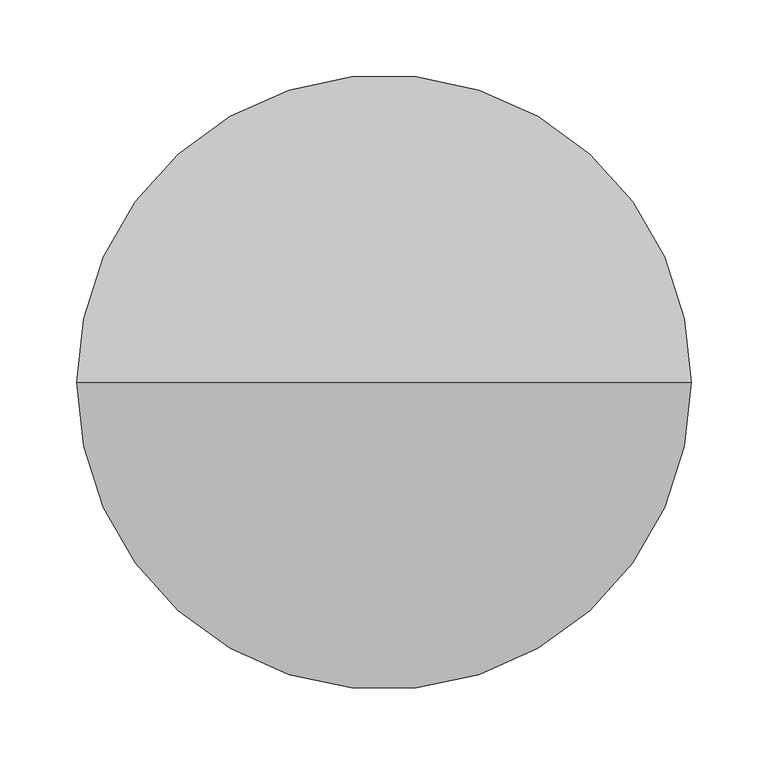
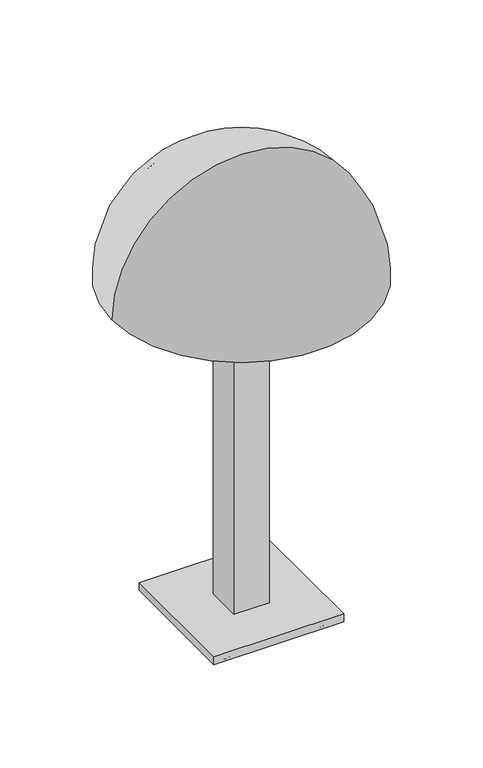
"""IFC4 building model written with IfcOpenShell, lengths in millimetres: light fixture geometry."""

import ifcopenshell
import ifcopenshell.guid

model = None  # the IFC model being written
_history = None  # IfcOwnerHistory: only IFC2X3 demands one
_inside = {}  # id of a spatial element -> (the spatial element, [elements in it])
_under = {}  # id of a project, library or spatial element -> (it, [spatial elements below it])
_declared = {}  # id of a project -> (the project, [libraries it declares])
_typed = {}  # id of a type object -> (the type object, [elements of that type])
_made_of = {}  # id of a material, layer set ... -> (it, [elements and type objects made of it])


def new_model(schema):
    """Start an empty IFC model of exactly this schema.

    Asked for "IFC4X3", IfcOpenShell would pick the latest addendum, in which some entities
    have other attributes; the version numbers below select the first issue.
    IFC2X3 requires an IfcOwnerHistory on every rooted entity: one is made here for all.
    """
    global model, _history
    if schema == "IFC4X3":
        model = ifcopenshell.file(schema_version=(4, 3, 0, 0))
    else:
        model = ifcopenshell.file(schema=schema)
    _inside.clear()
    _under.clear()
    _declared.clear()
    _typed.clear()
    _made_of.clear()
    _history = None
    if model.schema == "IFC2X3":
        org = make("IfcOrganization", Name="unknown")
        user = make(
            "IfcPersonAndOrganization",
            ThePerson=make("IfcPerson", FamilyName="unknown"),
            TheOrganization=org,
        )
        app = make(
            "IfcApplication",
            ApplicationDeveloper=org,
            Version="unknown",
            ApplicationFullName="unknown",
            ApplicationIdentifier="unknown",
        )
        _history = make(
            "IfcOwnerHistory",
            OwningUser=user,
            OwningApplication=app,
            ChangeAction="ADDED",
            CreationDate=0,
        )
    return model


def make(cls, **values):
    """One entity of the class cls with the attributes given. An attribute that is None is left unset."""
    return model.create_entity(
        cls, **{name: value for name, value in values.items() if value is not None}
    )


def rooted(cls, **values):
    """An entity with a GlobalId (a new one), such as an element, a storey or a relation."""
    return make(cls, GlobalId=ifcopenshell.guid.new(), OwnerHistory=_history, **values)


def si_unit(unit_type, name, prefix=None):
    """IfcSIUnit, for example si_unit("LENGTHUNIT", "METRE", prefix="MILLI")."""
    return make("IfcSIUnit", UnitType=unit_type, Prefix=prefix, Name=name)


def assignment(units):
    """IfcUnitAssignment: the units of a project."""
    return None if units is None else make("IfcUnitAssignment", Units=units)


def point(xyz):
    """IfcCartesianPoint."""
    return None if xyz is None else make("IfcCartesianPoint", Coordinates=xyz)


def direction(xyz):
    """IfcDirection."""
    return None if xyz is None else make("IfcDirection", DirectionRatios=xyz)


def frame(location, z_axis=None, x_axis=None):
    """IfcAxis2Placement3D, a coordinate frame: its origin and axes. An axis left out is left unset."""
    return make(
        "IfcAxis2Placement3D",
        Location=point(location),
        Axis=direction(z_axis),
        RefDirection=direction(x_axis),
    )


def frame_2d(location, x_axis=None):
    """IfcAxis2Placement2D, a coordinate frame in the plane: its origin and x axis."""
    return make(
        "IfcAxis2Placement2D", Location=point(location), RefDirection=direction(x_axis)
    )


def origin():
    """The frame at (0, 0, 0) with its axes left unset."""
    return frame((0.0, 0.0, 0.0))


def origin_2d():
    """The frame at (0, 0) in the plane with its x axis left unset."""
    return frame_2d((0.0, 0.0))


def place(relative_to, where):
    """IfcLocalPlacement: puts the frame where relative to a parent placement (None: the world)."""
    return make(
        "IfcLocalPlacement", PlacementRelTo=relative_to, RelativePlacement=where
    )


def context(
    kind, dimensions, precision=None, world=None, true_north=None, identifier=None
):
    """IfcGeometricRepresentationContext, for example the 3D "Model" context."""
    return make(
        "IfcGeometricRepresentationContext",
        ContextIdentifier=identifier,
        ContextType=kind,
        CoordinateSpaceDimension=dimensions,
        Precision=precision,
        WorldCoordinateSystem=world,
        TrueNorth=true_north,
    )


def project(units=None, contexts=None):
    """IfcProject with its units and contexts."""
    return rooted(
        "IfcProject",
        Name="project",
        RepresentationContexts=contexts,
        UnitsInContext=assignment(units),
    )


def spatial(cls, under=None, at=None, **own):
    """A site, building, storey or space (cls), placed at a placement, below another one or the project."""
    s = rooted(cls, ObjectPlacement=at, **own)
    if under is not None:
        _under.setdefault(under.id(), (under, []))[1].append(s)
    return s


def polyline(points):
    """IfcPolyline through the points."""
    return make("IfcPolyline", Points=[point(p) for p in points])


def circle_curve(where, radius):
    """IfcCircle in the frame where."""
    return make("IfcCircle", Position=where, Radius=radius)


def ellipse_curve(where, semi_axis1, semi_axis2):
    """IfcEllipse in the frame where."""
    return make(
        "IfcEllipse", Position=where, SemiAxis1=semi_axis1, SemiAxis2=semi_axis2
    )


def trimmed(basis, trim1, trim2, sense, master):
    """IfcTrimmedCurve: the piece of a basis curve between two trims."""
    return make(
        "IfcTrimmedCurve",
        BasisCurve=basis,
        Trim1=trim1,
        Trim2=trim2,
        SenseAgreement=sense,
        MasterRepresentation=master,
    )


def segment(curve, same_sense, transition):
    """IfcCompositeCurveSegment."""
    return make(
        "IfcCompositeCurveSegment",
        Transition=transition,
        SameSense=same_sense,
        ParentCurve=curve,
    )


def composite_curve(segments, self_intersect=None):
    """IfcCompositeCurve: segments joined end to end."""
    return make("IfcCompositeCurve", Segments=segments, SelfIntersect=self_intersect)


def outline(outer, holes=None, kind="AREA"):
    """IfcArbitraryClosedProfileDef: a profile drawn as a closed curve; with holes, ...WithVoids."""
    if holes is None:
        return make("IfcArbitraryClosedProfileDef", ProfileType=kind, OuterCurve=outer)
    return make(
        "IfcArbitraryProfileDefWithVoids",
        ProfileType=kind,
        OuterCurve=outer,
        InnerCurves=holes,
    )


def extrude(swept, where, along, depth):
    """IfcExtrudedAreaSolid: the profile swept, set in the frame where, extruded along a direction by depth."""
    return make(
        "IfcExtrudedAreaSolid",
        SweptArea=swept,
        Position=where,
        ExtrudedDirection=direction(along),
        Depth=depth,
    )


def shape(context_of_items, identifier, shape_type, items):
    """IfcShapeRepresentation: the items that make up one representation, for example the "Body"."""
    return make(
        "IfcShapeRepresentation",
        ContextOfItems=context_of_items,
        RepresentationIdentifier=identifier,
        RepresentationType=shape_type,
        Items=items,
    )


def source(mapping_origin, context_of_items, identifier, shape_type, items):
    """IfcRepresentationMap: a shape defined once, which mapped items show again and again."""
    return make(
        "IfcRepresentationMap",
        MappingOrigin=mapping_origin,
        MappedRepresentation=shape(context_of_items, identifier, shape_type, items),
    )


def transform(
    local_origin,
    x_axis=None,
    y_axis=None,
    z_axis=None,
    scale=None,
    scale2=None,
    scale3=None,
    uniform=True,
):
    """IfcCartesianTransformationOperator3D, or its non-uniform kind. x_axis, y_axis, z_axis: its Axis1, 2, 3."""
    if uniform:
        return make(
            "IfcCartesianTransformationOperator3D",
            Axis1=direction(x_axis),
            Axis2=direction(y_axis),
            LocalOrigin=point(local_origin),
            Scale=scale,
            Axis3=direction(z_axis),
        )
    return make(
        "IfcCartesianTransformationOperator3DnonUniform",
        Axis1=direction(x_axis),
        Axis2=direction(y_axis),
        LocalOrigin=point(local_origin),
        Scale=scale,
        Axis3=direction(z_axis),
        Scale2=scale2,
        Scale3=scale3,
    )


def mapped(mapping_source, mapping_target):
    """IfcMappedItem: shows the shape of a source again, moved by a transform."""
    return make(
        "IfcMappedItem", MappingSource=mapping_source, MappingTarget=mapping_target
    )


def made_of(thing, what):
    """Note that an element or type object is made of a material, layer set ...; save() writes the relation."""
    if what is not None:
        _made_of.setdefault(what.id(), (what, []))[1].append(thing)
    return thing


def element(
    cls,
    number,
    at=None,
    inside=None,
    cuts=None,
    type_object=None,
    material=None,
    context=None,
    identifier="Body",
    shape_type=None,
    held_by="IfcProductDefinitionShape",
    body=None,
    shapes=None,
    **own,
):
    """One element of the class cls, such as IfcWall. Its Tag is "e" and its number.

    at: its placement. inside: the storey or other place that contains it. cuts: it is an
    opening in that element (IfcRelVoidsElement). A single representation is given by context,
    identifier, shape_type and body (its items); several are given by shapes. held_by: the class
    of the entity that holds the representations. save() writes the other relations.
    """
    e = rooted(cls, Tag="e%d" % number, ObjectPlacement=at, **own)
    if body is not None:
        shapes = [shape(context, identifier, shape_type, body)]
    if shapes is not None:
        e.Representation = make(held_by, Representations=shapes)
    if inside is not None:
        _inside.setdefault(inside.id(), (inside, []))[1].append(e)
    if cuts is not None:
        rooted(
            "IfcRelVoidsElement", RelatingBuildingElement=cuts, RelatedOpeningElement=e
        )
    if type_object is not None:
        _typed.setdefault(type_object.id(), (type_object, []))[1].append(e)
    return made_of(e, material)


def aggregate(whole, parts):
    """IfcRelAggregates: a whole, such as a stair, and the parts it consists of."""
    return rooted("IfcRelAggregates", RelatingObject=whole, RelatedObjects=parts)


def save(model, path):
    """Write the relations noted so far, then the file.

    IfcRelAggregates (storeys below a building ...), IfcRelContainedInSpatialStructure (elements
    in a storey), IfcRelDefinesByType, IfcRelAssociatesMaterial and IfcRelDeclares: one each for
    every whole, place, type object, material and project.
    """
    for whole, parts in _under.values():
        aggregate(whole, parts)
    for where, things in _inside.values():
        rooted(
            "IfcRelContainedInSpatialStructure",
            RelatedElements=things,
            RelatingStructure=where,
        )
    for kind, things in _typed.values():
        rooted("IfcRelDefinesByType", RelatedObjects=things, RelatingType=kind)
    for what, things in _made_of.values():
        rooted("IfcRelAssociatesMaterial", RelatedObjects=things, RelatingMaterial=what)
    for by, libraries in _declared.values():
        rooted("IfcRelDeclares", RelatingContext=by, RelatedDefinitions=libraries)
    model.write(path)


def plane_surface(at):
    """IfcPlane: the flat surface through the origin of the frame at, square to its z axis."""
    return make("IfcPlane", Position=at)


def revolved_surface(curve, axis_point, axis_direction):
    """IfcSurfaceOfRevolution: the curve turned about the line through axis_point along axis_direction."""
    return make(
        "IfcSurfaceOfRevolution",
        SweptCurve=make("IfcArbitraryOpenProfileDef", ProfileType="CURVE", Curve=curve),
        AxisPosition=make("IfcAxis1Placement", Location=point(axis_point), Axis=direction(axis_direction)),
    )


def advanced_brep(points, edges, surfaces, faces):
    """IfcAdvancedBrep: a solid bounded by faces that lie on surfaces and meet in shared edges.

    An edge is (start, end): straight between two places in points (the first is 0);
    or (start, end, curve); or (start, end, curve, False) where it runs against its curve.
    A face is (place in surfaces, loops), or (place, loops, False) where it looks against
    its surface's normal. A loop lists edges by number (the first is 1), with a minus sign
    where the edge is run from its end to its start. The first loop is the outer one.
    """
    corners = [point(p) for p in points]
    vertices = [make("IfcVertexPoint", VertexGeometry=c) for c in corners]
    made = []
    for start, end, *more in edges:
        made.append(
            make(
                "IfcEdgeCurve",
                EdgeStart=vertices[start],
                EdgeEnd=vertices[end],
                EdgeGeometry=more[0] if more else make("IfcPolyline", Points=[corners[start], corners[end]]),
                SameSense=more[1] if len(more) > 1 else True,
            )
        )
    hull = []
    for where, loops, *sense in faces:
        bounds = []
        for j, loop in enumerate(loops):
            ring = [make("IfcOrientedEdge", EdgeElement=made[abs(k) - 1], Orientation=k > 0) for k in loop]
            bounds.append(
                make(
                    "IfcFaceOuterBound" if j == 0 else "IfcFaceBound",
                    Bound=make("IfcEdgeLoop", EdgeList=ring),
                    Orientation=True,
                )
            )
        hull.append(make("IfcAdvancedFace", Bounds=bounds, FaceSurface=surfaces[where], SameSense=sense[0] if sense else True))
    return make("IfcAdvancedBrep", Outer=make("IfcClosedShell", CfsFaces=hull))


def light_fixture_9217e38e(model_context):
    return source(origin(), model_context, "Body", "SolidModel", [
        advanced_brep(
        [(0.0, 0.0, 750.0), (200.0, 0.0, 550.0), (-200.0, 0.0, 550.0), (-192.0, 0.0, 550.0), (192.0, 0.0, 550.0), (0.0, 0.0, 742.0)],
        [
            (0, 1, circle_curve(frame((0.0, 0.0, 550.0), z_axis=(0.0, 1.0, 0.0), x_axis=(1.0, 0.0, 0.0)), 200.0)),
            (1, 2, circle_curve(frame((0.0, 0.0, 550.0), z_axis=(0.0, 0.0, 1.0), x_axis=(1.0, 0.0, 0.0)), 200.0)),
            (2, 0, circle_curve(frame((0.0, 0.0, 550.0), z_axis=(0.0, 1.0, 0.0), x_axis=(-1.0, 0.0, 0.0)), 200.0)),
            (2, 1, circle_curve(frame((0.0, 0.0, 550.0), z_axis=(0.0, 0.0, 1.0), x_axis=(1.0, 0.0, 0.0)), 200.0)),
            (3, 4, circle_curve(frame((0.0, 0.0, 550.0), z_axis=(0.0, 0.0, -1.0), x_axis=(1.0, 0.0, 0.0)), 192.0)),
            (4, 5, circle_curve(frame((0.0, 0.0, 550.0), z_axis=(0.0, -1.0, 0.0), x_axis=(1.0, 0.0, 0.0)), 192.0)),
            (5, 3, circle_curve(frame((0.0, 0.0, 550.0), z_axis=(0.0, -1.0, 0.0), x_axis=(-1.0, 0.0, 0.0)), 192.0)),
            (4, 3, circle_curve(frame((0.0, 0.0, 550.0), z_axis=(0.0, 0.0, -1.0), x_axis=(1.0, 0.0, 0.0)), 192.0)),
            (1, 4),
            (3, 2),
        ],
        [
            revolved_surface(trimmed(ellipse_curve(frame((0.0, 0.0, 550.0), z_axis=(0.0, -1.0, 0.0), x_axis=(1.0, 0.0, 0.0)), 200.0, 200.0), [point((200.0, 0.0, 550.0))], [point((0.0, 0.0, 750.0))], True, "CARTESIAN"), (0.0, 0.0, 737.0743237), (0.0, 0.0, 1.0)),
            revolved_surface(trimmed(ellipse_curve(frame((0.0, 0.0, 550.0), z_axis=(0.0, 1.0, 0.0), x_axis=(1.0, 0.0, 0.0)), 192.0, 192.0), [point((0.0, 0.0, 742.0))], [point((192.0, 0.0, 550.0))], True, "CARTESIAN"), (0.0, 0.0, 737.0743237), (0.0, 0.0, 1.0)),
            plane_surface(frame((0.0, 0.0, 550.0), z_axis=(0.0, 0.0, -1.0), x_axis=(1.0, 0.0, 0.0))),
        ],
        [
            (0, [[1, 2, 3]]),
            (0, [[-3, 4, -1]]),
            (1, [[5, 6, 7]]),
            (1, [[8, -7, -6]]),
            (2, [[-2, 9, -5, 10]]),
            (2, [[-4, -10, -8, -9]]),
        ],
    ),
        extrude(outline(composite_curve([segment(trimmed(circle_curve(origin_2d(), 6.35), [point((-6.35, 0.0))], [point((6.35, 0.0))], False, "CARTESIAN"), True, "CONTINUOUS"), segment(trimmed(circle_curve(origin_2d(), 6.35), [point((6.35, 0.0))], [point((-6.35, 0.0))], False, "CARTESIAN"), True, "CONTINUOUS")], self_intersect=False)), frame((0.0, 0.0, 519.6548896), z_axis=(0.0, 0.0, 1.0), x_axis=(1.0, 0.0, 0.0)), (0.0, 0.0, 1.0), 71.8006415),
        extrude(outline(polyline([(27.5, -27.5), (-27.5, -27.5), (-27.5, 27.5), (27.5, 27.5), (27.5, -27.5)])), frame((0.0, 0.0, 25.4), z_axis=(0.0, 0.0, 1.0), x_axis=(1.0, 0.0, 0.0)), (0.0, 0.0, 1.0), 494.2548896),
        advanced_brep(
        [(-89.1663037, -73.0, 12.7), (-57.0836963, -73.0, 12.7), (-69.7836963, -73.0, 0.0), (-76.4663037, -73.0, 0.0), (-76.4663037, -73.0, 12.7), (-69.7836963, -73.0, 12.7)],
        [
            (0, 1, circle_curve(frame((-73.125, -73.0, 12.7), z_axis=(0.0, 0.0, -1.0), x_axis=(1.0, 0.0, 0.0)), 16.0413037)),
            (1, 2, circle_curve(frame((-69.7836963, -73.0, 12.7), z_axis=(0.0, 1.0, 0.0), x_axis=(1.0, 0.0, 0.0)), 12.7)),
            (2, 3, circle_curve(frame((-73.125, -73.0, 0.0), z_axis=(0.0, 0.0, 1.0), x_axis=(1.0, 0.0, 0.0)), 3.3413037)),
            (3, 0, circle_curve(frame((-76.4663037, -73.0, 12.7), z_axis=(0.0, 1.0, 0.0), x_axis=(-1.0, 0.0, 0.0)), 12.7)),
            (1, 0, circle_curve(frame((-73.125, -73.0, 12.7), z_axis=(0.0, 0.0, -1.0), x_axis=(1.0, 0.0, 0.0)), 16.0413037)),
            (3, 2, circle_curve(frame((-73.125, -73.0, 0.0), z_axis=(0.0, 0.0, 1.0), x_axis=(1.0, 0.0, 0.0)), 3.3413037)),
            (4, 5, circle_curve(frame((-73.125, -73.0, 12.7), z_axis=(0.0, 0.0, -1.0), x_axis=(1.0, 0.0, 0.0)), 3.3413037)),
            (5, 1),
            (0, 4),
            (5, 4, circle_curve(frame((-73.125, -73.0, 12.7), z_axis=(0.0, 0.0, -1.0), x_axis=(1.0, 0.0, 0.0)), 3.3413037)),
            (2, 5),
            (4, 3),
        ],
        [
            revolved_surface(trimmed(ellipse_curve(frame((-69.7836963, -73.0, 12.7), z_axis=(0.0, -1.0, 0.0), x_axis=(1.0, 0.0, 0.0)), 12.7, 12.7), [point((-69.7836963, -73.0, 0.0))], [point((-57.0836963, -73.0, 12.7))], True, "CARTESIAN"), (-73.125, -73.0, 36.0623287), (0.0, 0.0, 1.0)),
            plane_surface(frame((-73.125, -73.0, 12.7), z_axis=(0.0, 0.0, 1.0), x_axis=(1.0, 0.0, 0.0))),
            revolved_surface(polyline([(-69.7836963, -73.0, 12.7), (-69.7836963, -73.0, 0.0)]), (-73.125, -73.0, 36.0623287), (0.0, 0.0, 1.0)),
        ],
        [
            (0, [[1, 2, 3, 4]]),
            (0, [[5, -4, 6, -2]]),
            (1, [[7, 8, -1, 9]]),
            (1, [[10, -9, -5, -8]]),
            (2, [[-3, 11, -7, 12]]),
            (2, [[-6, -12, -10, -11]]),
        ],
    ),
        advanced_brep(
        [(-89.1418699, 73.0, 12.7), (-57.1081301, 73.0, 12.7), (-69.8081301, 73.0, 0.0), (-76.4418699, 73.0, 0.0), (-76.4418699, 73.0, 12.7), (-69.8081301, 73.0, 12.7)],
        [
            (0, 1, circle_curve(frame((-73.125, 73.0, 12.7), z_axis=(0.0, 0.0, -1.0), x_axis=(1.0, 0.0, 0.0)), 16.0168699)),
            (1, 2, circle_curve(frame((-69.8081301, 73.0, 12.7), z_axis=(0.0, 1.0, 0.0), x_axis=(1.0, 0.0, 0.0)), 12.7)),
            (2, 3, circle_curve(frame((-73.125, 73.0, 0.0), z_axis=(0.0, 0.0, 1.0), x_axis=(1.0, 0.0, 0.0)), 3.3168699)),
            (3, 0, circle_curve(frame((-76.4418699, 73.0, 12.7), z_axis=(0.0, 1.0, 0.0), x_axis=(-1.0, 0.0, 0.0)), 12.7)),
            (1, 0, circle_curve(frame((-73.125, 73.0, 12.7), z_axis=(0.0, 0.0, -1.0), x_axis=(1.0, 0.0, 0.0)), 16.0168699)),
            (3, 2, circle_curve(frame((-73.125, 73.0, 0.0), z_axis=(0.0, 0.0, 1.0), x_axis=(1.0, 0.0, 0.0)), 3.3168699)),
            (4, 5, circle_curve(frame((-73.125, 73.0, 12.7), z_axis=(0.0, 0.0, -1.0), x_axis=(1.0, 0.0, 0.0)), 3.3168699)),
            (5, 1),
            (0, 4),
            (5, 4, circle_curve(frame((-73.125, 73.0, 12.7), z_axis=(0.0, 0.0, -1.0), x_axis=(1.0, 0.0, 0.0)), 3.3168699)),
            (2, 5),
            (4, 3),
        ],
        [
            revolved_surface(trimmed(ellipse_curve(frame((-69.8081301, 73.0, 12.7), z_axis=(0.0, -1.0, 0.0), x_axis=(1.0, 0.0, 0.0)), 12.7, 12.7), [point((-69.8081301, 73.0, 0.0))], [point((-57.1081301, 73.0, 12.7))], True, "CARTESIAN"), (-73.125, 73.0, 36.0623287), (0.0, 0.0, 1.0)),
            plane_surface(frame((-73.125, 73.0, 12.7), z_axis=(0.0, 0.0, 1.0), x_axis=(1.0, 0.0, 0.0))),
            revolved_surface(polyline([(-69.8081301, 73.0, 12.7), (-69.8081301, 73.0, 0.0)]), (-73.125, 73.0, 36.0623287), (0.0, 0.0, 1.0)),
        ],
        [
            (0, [[1, 2, 3, 4]]),
            (0, [[5, -4, 6, -2]]),
            (1, [[7, 8, -1, 9]]),
            (1, [[10, -9, -5, -8]]),
            (2, [[-3, 11, -7, 12]]),
            (2, [[-6, -12, -10, -11]]),
        ],
    ),
        advanced_brep(
        [(57.2005663, -73.0, 12.7), (88.7994337, -73.0, 12.7), (76.0994337, -73.0, 0.0), (69.9005663, -73.0, 0.0), (69.9005663, -73.0, 12.7), (76.0994337, -73.0, 12.7)],
        [
            (0, 1, circle_curve(frame((73.0, -73.0, 12.7), z_axis=(0.0, 0.0, -1.0), x_axis=(1.0, 0.0, 0.0)), 15.7994337)),
            (1, 2, circle_curve(frame((76.0994337, -73.0, 12.7), z_axis=(0.0, 1.0, 0.0), x_axis=(1.0, 0.0, 0.0)), 12.7)),
            (2, 3, circle_curve(frame((73.0, -73.0, 0.0), z_axis=(0.0, 0.0, 1.0), x_axis=(1.0, 0.0, 0.0)), 3.0994337)),
            (3, 0, circle_curve(frame((69.9005663, -73.0, 12.7), z_axis=(0.0, 1.0, 0.0), x_axis=(-1.0, 0.0, 0.0)), 12.7)),
            (1, 0, circle_curve(frame((73.0, -73.0, 12.7), z_axis=(0.0, 0.0, -1.0), x_axis=(1.0, 0.0, 0.0)), 15.7994337)),
            (3, 2, circle_curve(frame((73.0, -73.0, 0.0), z_axis=(0.0, 0.0, 1.0), x_axis=(1.0, 0.0, 0.0)), 3.0994337)),
            (4, 5, circle_curve(frame((73.0, -73.0, 12.7), z_axis=(0.0, 0.0, -1.0), x_axis=(1.0, 0.0, 0.0)), 3.0994337)),
            (5, 1),
            (0, 4),
            (5, 4, circle_curve(frame((73.0, -73.0, 12.7), z_axis=(0.0, 0.0, -1.0), x_axis=(1.0, 0.0, 0.0)), 3.0994337)),
            (2, 5),
            (4, 3),
        ],
        [
            revolved_surface(trimmed(ellipse_curve(frame((76.0994337, -73.0, 12.7), z_axis=(0.0, -1.0, 0.0), x_axis=(1.0, 0.0, 0.0)), 12.7, 12.7), [point((76.0994337, -73.0, 0.0))], [point((88.7994337, -73.0, 12.7))], True, "CARTESIAN"), (73.0, -73.0, 36.0623287), (0.0, 0.0, 1.0)),
            plane_surface(frame((73.0, -73.0, 12.7), z_axis=(0.0, 0.0, 1.0), x_axis=(1.0, 0.0, 0.0))),
            revolved_surface(polyline([(76.0994337, -73.0, 12.7), (76.0994337, -73.0, 0.0)]), (73.0, -73.0, 36.0623287), (0.0, 0.0, 1.0)),
        ],
        [
            (0, [[1, 2, 3, 4]]),
            (0, [[5, -4, 6, -2]]),
            (1, [[7, 8, -1, 9]]),
            (1, [[10, -9, -5, -8]]),
            (2, [[-3, 11, -7, 12]]),
            (2, [[-6, -12, -10, -11]]),
        ],
    ),
        advanced_brep(
        [(57.725, 73.0, 12.7), (88.275, 73.0, 12.7), (75.575, 73.0, 0.0), (70.425, 73.0, 0.0), (70.425, 73.0, 12.7), (75.575, 73.0, 12.7)],
        [
            (0, 1, circle_curve(frame((73.0, 73.0, 12.7), z_axis=(0.0, 0.0, -1.0), x_axis=(1.0, 0.0, 0.0)), 15.275)),
            (1, 2, circle_curve(frame((75.575, 73.0, 12.7), z_axis=(0.0, 1.0, 0.0), x_axis=(1.0, 0.0, 0.0)), 12.7)),
            (2, 3, circle_curve(frame((73.0, 73.0, 0.0), z_axis=(0.0, 0.0, 1.0), x_axis=(1.0, 0.0, 0.0)), 2.575)),
            (3, 0, circle_curve(frame((70.425, 73.0, 12.7), z_axis=(0.0, 1.0, 0.0), x_axis=(-1.0, 0.0, 0.0)), 12.7)),
            (1, 0, circle_curve(frame((73.0, 73.0, 12.7), z_axis=(0.0, 0.0, -1.0), x_axis=(1.0, 0.0, 0.0)), 15.275)),
            (3, 2, circle_curve(frame((73.0, 73.0, 0.0), z_axis=(0.0, 0.0, 1.0), x_axis=(1.0, 0.0, 0.0)), 2.575)),
            (4, 5, circle_curve(frame((73.0, 73.0, 12.7), z_axis=(0.0, 0.0, -1.0), x_axis=(1.0, 0.0, 0.0)), 2.575)),
            (5, 1),
            (0, 4),
            (5, 4, circle_curve(frame((73.0, 73.0, 12.7), z_axis=(0.0, 0.0, -1.0), x_axis=(1.0, 0.0, 0.0)), 2.575)),
            (2, 5),
            (4, 3),
        ],
        [
            revolved_surface(trimmed(ellipse_curve(frame((75.575, 73.0, 12.7), z_axis=(0.0, -1.0, 0.0), x_axis=(1.0, 0.0, 0.0)), 12.7, 12.7), [point((75.575, 73.0, 0.0))], [point((88.275, 73.0, 12.7))], True, "CARTESIAN"), (73.0, 73.0, 36.0623287), (0.0, 0.0, 1.0)),
            plane_surface(frame((73.0, 73.0, 12.7), z_axis=(0.0, 0.0, 1.0), x_axis=(1.0, 0.0, 0.0))),
            revolved_surface(polyline([(75.575, 73.0, 12.7), (75.575, 73.0, 0.0)]), (73.0, 73.0, 36.0623287), (0.0, 0.0, 1.0)),
        ],
        [
            (0, [[1, 2, 3, 4]]),
            (0, [[5, -4, 6, -2]]),
            (1, [[7, 8, -1, 9]]),
            (1, [[10, -9, -5, -8]]),
            (2, [[-3, 11, -7, 12]]),
            (2, [[-6, -12, -10, -11]]),
        ],
    ),
        extrude(outline(polyline([(100.0, 100.0), (100.0, -100.0), (-100.0, -100.0), (-100.0, 100.0), (100.0, 100.0)])), frame((0.0, 0.0, 12.7), z_axis=(0.0, 0.0, 1.0), x_axis=(1.0, 0.0, 0.0)), (0.0, 0.0, 1.0), 12.7),
    ])


if __name__ == "__main__":
    model = new_model("IFC4")
    model_context = context("Model", 3, world=origin())
    ifc_project = project(units=[si_unit("LENGTHUNIT", "METRE", prefix="MILLI")], contexts=[model_context])
    site = spatial("IfcSite", under=ifc_project)
    building = spatial("IfcBuilding", under=site)
    placement = place(None, origin())
    light_fixture_shape = light_fixture_9217e38e(model_context)
    element("IfcLightFixture", 1, at=placement, inside=building, context=model_context, shape_type="MappedRepresentation", body=[
        mapped(light_fixture_shape, transform((0.0, 0.0, 0.0), x_axis=(1.0, 0.0, 0.0), y_axis=(0.0, 1.0, 0.0), z_axis=(0.0, 0.0, 1.0))),
    ])
    save(model, "model.ifc")
